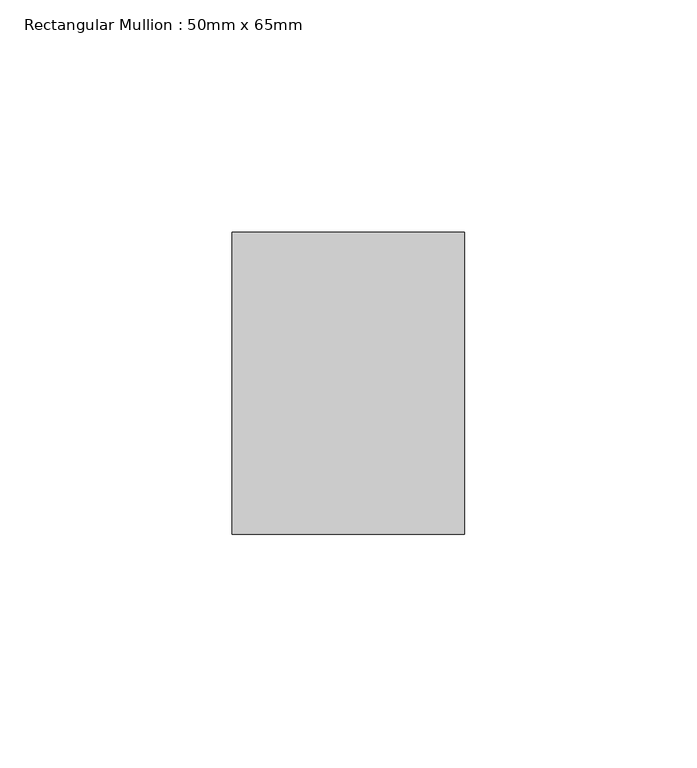
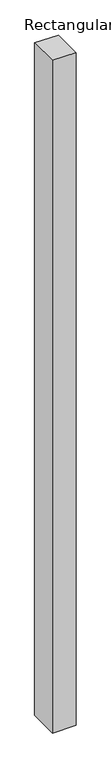
"""IFC4 building model written with IfcOpenShell, lengths in millimetres: member geometry, Rectangular Mullion : 50mm x 65mm."""

from ifc_helpers import new_model, si_unit, origin, place, context, project, spatial, faceted_brep, source, transform, mapped, element, save


def rectangular_mullion_50mm_x_65mm_4dc95c87(model_context):
    return source(origin(), model_context, "Body", "Brep", [
        faceted_brep([(-25.0, 32.5, -0.2027385), (25.0, 32.5, -0.2027373), (25.0, 32.5, -1499.8926075), (-25.0, 32.5, -1499.8926069), (-25.0, -32.5, 0.2027373), (-25.0, -32.5, -1500.1072676), (25.0, -32.5, 0.2027385), (25.0, -32.5, -1500.1072682)], [[[0, 1, 2, 3]], [[4, 0, 3, 5]], [[6, 4, 5, 7]], [[1, 6, 7, 2]], [[1, 0, 4, 6]], [[2, 7, 5, 3]]]),
    ])


if __name__ == "__main__":
    model = new_model("IFC4")
    model_context = context("Model", 3, world=origin())
    ifc_project = project(units=[si_unit("LENGTHUNIT", "METRE", prefix="MILLI")], contexts=[model_context])
    site = spatial("IfcSite", under=ifc_project)
    building = spatial("IfcBuilding", under=site)
    placement = place(None, origin())
    rectangular_mullion_50mm_x_65mm_shape = rectangular_mullion_50mm_x_65mm_4dc95c87(model_context)
    element("IfcMember", 1, ObjectType="Rectangular Mullion : 50mm x 65mm", at=placement, inside=building, context=model_context, shape_type="MappedRepresentation", body=[
        mapped(rectangular_mullion_50mm_x_65mm_shape, transform((0.0, 0.0, 0.0), x_axis=(1.0, 0.0, 0.0), y_axis=(0.0, 1.0, 0.0), z_axis=(0.0, 0.0, 1.0))),
    ])
    save(model, "model.ifc")
